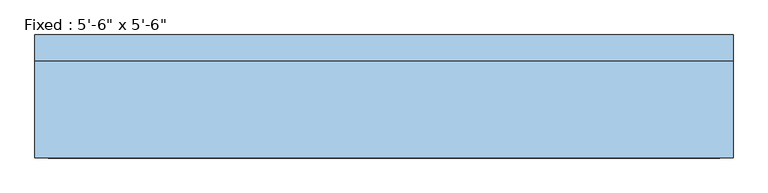
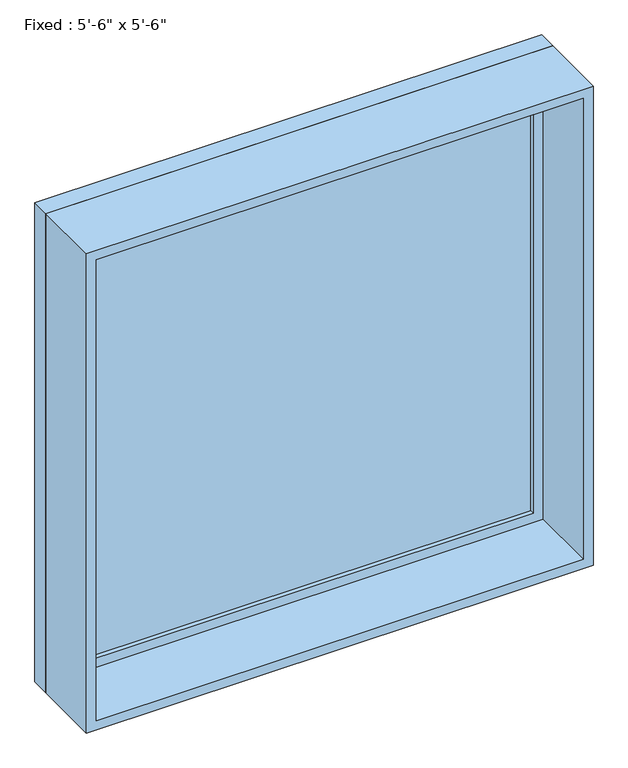
"""IFC4 building model written with IfcOpenShell, lengths in millimetres: window geometry."""

from ifc_helpers import new_model, si_unit, frame, origin, place, context, project, spatial, polyline, outline, extrude, source, transform, mapped, element, save


def window_ecfb32f3(model_context):
    return source(origin(), model_context, "Body", "SweptSolid", [
        extrude(outline(polyline([(736.6, 100.0125), (-812.8, 100.0125), (-812.8, 112.7125), (736.6, 112.7125), (736.6, 100.0125)])), frame((0.0, 0.0, 825.5), z_axis=(0.0, 0.0, 1.0), x_axis=(1.0, 0.0, 0.0)), (0.0, 0.0, 1.0), 1549.4),
        extrude(outline(polyline([(2419.35, -857.25), (781.05, -857.25), (781.05, 781.05), (2419.35, 781.05), (2419.35, -857.25)]), holes=[polyline([(2374.9, -812.8), (2374.9, 736.6), (825.5, 736.6), (825.5, -812.8), (2374.9, -812.8)])]), frame((0.0, 84.1375, 0.0), z_axis=(0.0, 1.0, 0.0), x_axis=(0.0, 0.0, 1.0)), (0.0, 0.0, 1.0), 44.45),
        extrude(outline(polyline([(2438.4, -876.3), (762.0, -876.3), (762.0, 800.1), (2438.4, 800.1), (2438.4, -876.3)]), holes=[polyline([(2406.65, -844.55), (2406.65, 768.35), (793.75, 768.35), (793.75, -844.55), (2406.65, -844.55)])]), frame((0.0, -147.6375, 0.0), z_axis=(0.0, 1.0, 0.0), x_axis=(0.0, 0.0, 1.0)), (0.0, 0.0, 1.0), 231.775),
        extrude(outline(polyline([(2438.4, 800.1), (2438.4, -876.3), (762.0, -876.3), (762.0, 800.1), (2438.4, 800.1)]), holes=[polyline([(2419.35, 781.05), (781.05, 781.05), (781.05, -857.25), (2419.35, -857.25), (2419.35, 781.05)])]), frame((0.0, 84.1375, 0.0), z_axis=(0.0, 1.0, 0.0), x_axis=(0.0, 0.0, 1.0)), (0.0, 0.0, 1.0), 63.5),
    ])


if __name__ == "__main__":
    model = new_model("IFC4")
    model_context = context("Model", 3, world=origin())
    ifc_project = project(units=[si_unit("LENGTHUNIT", "METRE", prefix="MILLI")], contexts=[model_context])
    site = spatial("IfcSite", under=ifc_project)
    building = spatial("IfcBuilding", under=site)
    placement = place(None, origin())
    window_shape = window_ecfb32f3(model_context)
    element("IfcWindow", 1, ObjectType="Fixed : 5'-6\" x 5'-6\"", at=placement, inside=building, context=model_context, shape_type="MappedRepresentation", body=[
        mapped(window_shape, transform((0.0, 0.0, 0.0), x_axis=(1.0, 0.0, 0.0), y_axis=(0.0, 1.0, 0.0), z_axis=(0.0, 0.0, 1.0))),
    ])
    save(model, "model.ifc")
